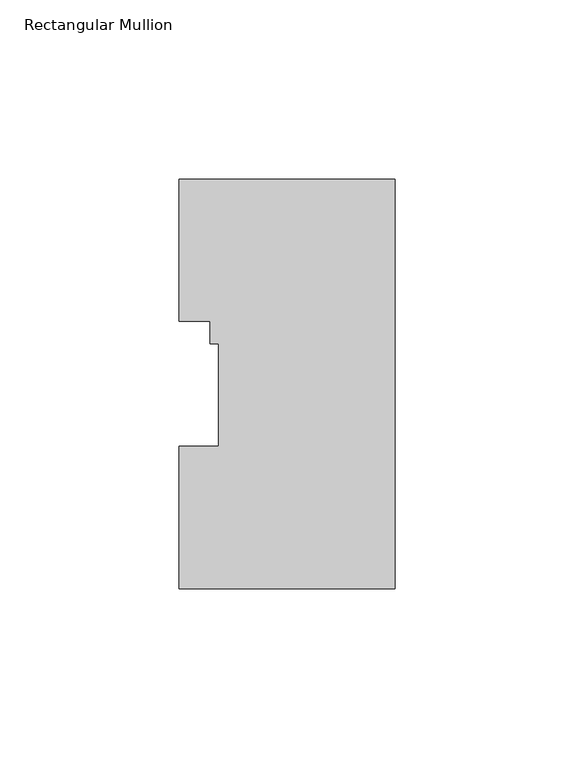
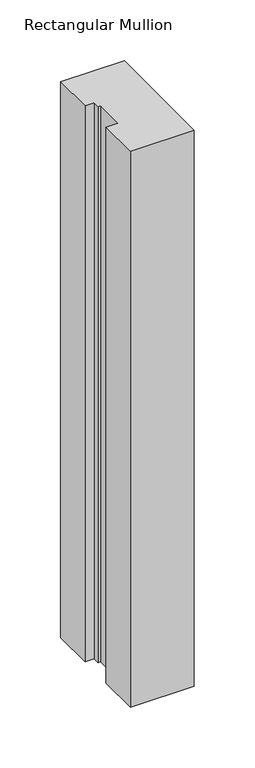
"""IFC4 building model written with IfcOpenShell, lengths in millimetres: member geometry, Rectangular Mullion."""

from ifc_helpers import new_model, si_unit, frame, origin, place, context, project, spatial, polyline, outline, extrude, source, transform, mapped, element, save


def rectangular_mullion_cbbae2a1(model_context):
    return source(origin(), model_context, "Body", "SweptSolid", [
        extrude(outline(polyline([(0.0, 114.271425), (0.0, -0.028575), (-60.325, -0.028575), (-60.325, 39.646225), (-49.2125, 39.646225), (-49.2125, 68.246625), (-51.5874, 68.246625), (-51.5874, 74.596625), (-60.325, 74.596625), (-60.325, 114.271425), (0.0, 114.271425)])), frame((0.0, 0.0, -557.2125), z_axis=(0.0, 0.0, 1.0), x_axis=(1.0, 0.0, 0.0)), (0.0, 0.0, 1.0), 557.2125),
    ])


if __name__ == "__main__":
    model = new_model("IFC4")
    model_context = context("Model", 3, world=origin())
    ifc_project = project(units=[si_unit("LENGTHUNIT", "METRE", prefix="MILLI")], contexts=[model_context])
    site = spatial("IfcSite", under=ifc_project)
    building = spatial("IfcBuilding", under=site)
    placement = place(None, origin())
    rectangular_mullion_shape = rectangular_mullion_cbbae2a1(model_context)
    element("IfcMember", 1, ObjectType="Rectangular Mullion", at=placement, inside=building, context=model_context, shape_type="MappedRepresentation", body=[
        mapped(rectangular_mullion_shape, transform((0.0, 0.0, 0.0), x_axis=(1.0, 0.0, 0.0), y_axis=(0.0, 1.0, 0.0), z_axis=(0.0, 0.0, 1.0))),
    ])
    save(model, "model.ifc")
